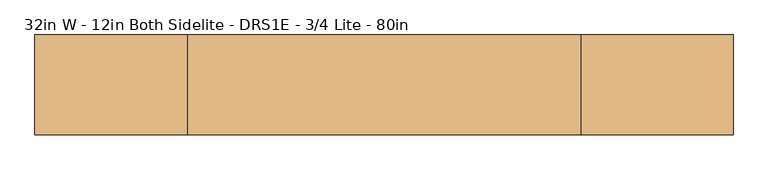
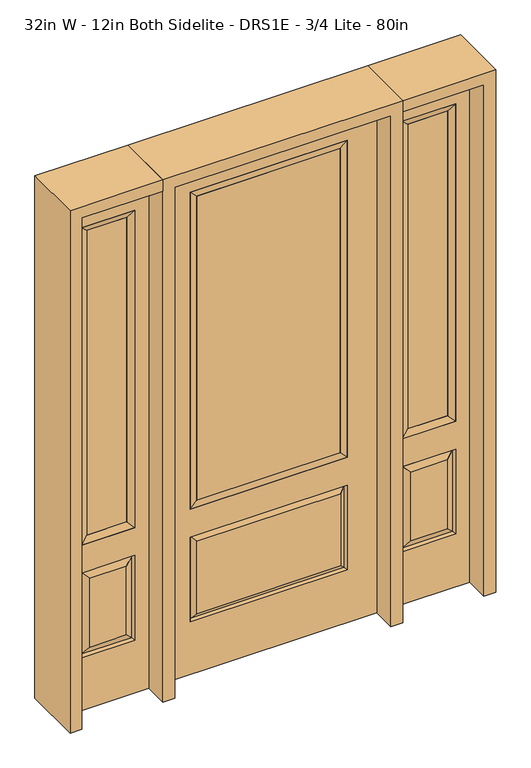
"""IFC4 building model written with IfcOpenShell, lengths in millimetres: door geometry, 32in W - 12in Both Sidelite - DRS1E - 3/4 Lite - 80in."""

from ifc_helpers import new_model, si_unit, frame, origin, place, context, project, spatial, polyline, outline, extrude, faceted_brep, source, transform, mapped, element, save


def door_32in_w_12in_both_sidelite_drs1e_3_4_lite_80in_2be512b7(model_context):
    return source(origin(), model_context, "Body", "SolidModel", [
        faceted_brep([(450.85, -22.225, 0.0), (755.65, -22.225, 0.0), (755.65, -22.225, 2032.0), (450.85, -22.225, 2032.0), (703.58, -22.225, 1919.224), (703.58, -22.225, 657.098), (502.92, -22.225, 657.098), (502.92, -22.225, 1919.224), (703.58, -22.225, 209.55), (502.92, -22.225, 209.55), (502.92, -22.225, 546.1), (703.58, -22.225, 546.1), (534.6351001, -22.225, 241.2651001), (671.8648999, -22.225, 241.2651001), (671.8648999, -22.225, 514.3848999), (534.6351001, -22.225, 514.3848999), (450.85, 22.225, 0.0), (450.85, 22.225, 2032.0), (755.65, 22.225, 2032.0), (755.65, 22.225, 0.0), (703.58, 22.225, 1919.224), (502.92, 22.225, 1919.224), (502.92, 22.225, 657.098), (703.58, 22.225, 657.098), (502.92, 22.225, 209.55), (703.58, 22.225, 209.55), (703.58, 22.225, 546.1), (502.92, 22.225, 546.1), (671.8648999, 22.225, 241.2651001), (534.6351001, 22.225, 241.2651001), (534.6351001, 22.225, 514.3848999), (671.8648999, 22.225, 514.3848999), (696.4711499, 12.7912373, 216.6588501), (510.0288501, 12.7912373, 216.6588501), (510.0288501, 12.7912373, 538.9911499), (696.4711499, 12.7912373, 538.9911499), (510.0288501, -12.7912373, 216.6588501), (696.4711499, -12.7912373, 216.6588501), (510.0288501, -12.7912373, 538.9911499), (696.4711499, -12.7912373, 538.9911499)], [[[0, 1, 2, 3], [4, 5, 6, 7], [8, 9, 10, 11]], [[12, 13, 14, 15]], [[16, 17, 18, 19], [20, 21, 22, 23], [24, 25, 26, 27]], [[28, 29, 30, 31]], [[1, 0, 16, 19]], [[2, 1, 19, 18]], [[3, 2, 18, 17]], [[0, 3, 17, 16]], [[5, 4, 20, 23]], [[6, 5, 23, 22]], [[7, 6, 22, 21]], [[4, 7, 21, 20]], [[32, 33, 29, 28]], [[33, 32, 25, 24]], [[29, 33, 34, 30]], [[33, 24, 27, 34]], [[30, 34, 35, 31]], [[34, 27, 26, 35]], [[32, 28, 31, 35]], [[25, 32, 35, 26]], [[12, 36, 37, 13]], [[37, 36, 9, 8]], [[36, 12, 15, 38]], [[9, 36, 38, 10]], [[38, 15, 14, 39]], [[10, 38, 39, 11]], [[13, 37, 39, 14]], [[37, 8, 11, 39]]]),
        faceted_brep([(502.92, 22.225, 1919.224), (502.92, -22.225, 1919.224), (703.58, -22.225, 1919.224), (703.58, 22.225, 1919.224), (528.32, 12.7, 1893.824), (678.18, 12.7, 1893.824), (528.32, -12.7, 1893.824), (678.18, -12.7, 1893.824), (703.58, -22.225, 657.098), (703.58, 22.225, 657.098), (678.18, 12.7, 682.498), (678.18, -12.7, 682.498), (502.92, -22.225, 657.098), (502.92, 22.225, 657.098), (528.32, 12.7, 682.498), (528.32, -12.7, 682.498)], [[[0, 1, 2, 3]], [[4, 0, 3, 5]], [[6, 4, 5, 7]], [[1, 6, 7, 2]], [[3, 2, 8, 9]], [[5, 3, 9, 10]], [[7, 5, 10, 11]], [[2, 7, 11, 8]], [[9, 8, 12, 13]], [[10, 9, 13, 14]], [[11, 10, 14, 15]], [[8, 11, 15, 12]], [[13, 12, 1, 0]], [[14, 13, 0, 4]], [[15, 14, 4, 6]], [[12, 15, 6, 1]]]),
        extrude(outline(polyline([(678.18, -12.7), (528.32, -12.7), (528.32, 12.7), (678.18, 12.7), (678.18, -12.7)])), frame((0.0, 0.0, 682.498), z_axis=(0.0, 0.0, 1.0), x_axis=(1.0, 0.0, 0.0)), (0.0, 0.0, 1.0), 1211.326),
        faceted_brep([(-755.65, -22.225, 0.0), (-450.85, -22.225, 0.0), (-450.85, -22.225, 2032.0), (-755.65, -22.225, 2032.0), (-502.92, -22.225, 1919.224), (-502.92, -22.225, 657.098), (-703.58, -22.225, 657.098), (-703.58, -22.225, 1919.224), (-502.92, -22.225, 209.55), (-703.58, -22.225, 209.55), (-703.58, -22.225, 546.1), (-502.92, -22.225, 546.1), (-671.8648999, -22.225, 241.2651001), (-534.6351001, -22.225, 241.2651001), (-534.6351001, -22.225, 514.3848999), (-671.8648999, -22.225, 514.3848999), (-755.65, 22.225, 0.0), (-755.65, 22.225, 2032.0), (-450.85, 22.225, 2032.0), (-450.85, 22.225, 0.0), (-502.92, 22.225, 1919.224), (-703.58, 22.225, 1919.224), (-703.58, 22.225, 657.098), (-502.92, 22.225, 657.098), (-703.58, 22.225, 209.55), (-502.92, 22.225, 209.55), (-502.92, 22.225, 546.1), (-703.58, 22.225, 546.1), (-534.6351001, 22.225, 241.2651001), (-671.8648999, 22.225, 241.2651001), (-671.8648999, 22.225, 514.3848999), (-534.6351001, 22.225, 514.3848999), (-510.0288501, 12.7912373, 216.6588501), (-696.4711499, 12.7912373, 216.6588501), (-696.4711499, 12.7912373, 538.9911499), (-510.0288501, 12.7912373, 538.9911499), (-696.4711499, -12.7912373, 216.6588501), (-510.0288501, -12.7912373, 216.6588501), (-696.4711499, -12.7912373, 538.9911499), (-510.0288501, -12.7912373, 538.9911499)], [[[0, 1, 2, 3], [4, 5, 6, 7], [8, 9, 10, 11]], [[12, 13, 14, 15]], [[16, 17, 18, 19], [20, 21, 22, 23], [24, 25, 26, 27]], [[28, 29, 30, 31]], [[1, 0, 16, 19]], [[2, 1, 19, 18]], [[3, 2, 18, 17]], [[0, 3, 17, 16]], [[5, 4, 20, 23]], [[6, 5, 23, 22]], [[7, 6, 22, 21]], [[4, 7, 21, 20]], [[32, 33, 29, 28]], [[33, 32, 25, 24]], [[29, 33, 34, 30]], [[33, 24, 27, 34]], [[30, 34, 35, 31]], [[34, 27, 26, 35]], [[32, 28, 31, 35]], [[25, 32, 35, 26]], [[12, 36, 37, 13]], [[37, 36, 9, 8]], [[36, 12, 15, 38]], [[9, 36, 38, 10]], [[38, 15, 14, 39]], [[10, 38, 39, 11]], [[13, 37, 39, 14]], [[37, 8, 11, 39]]]),
        faceted_brep([(-703.58, 22.225, 1919.224), (-703.58, -22.225, 1919.224), (-502.92, -22.225, 1919.224), (-502.92, 22.225, 1919.224), (-678.18, 12.7, 1893.824), (-528.32, 12.7, 1893.824), (-678.18, -12.7, 1893.824), (-528.32, -12.7, 1893.824), (-502.92, -22.225, 657.098), (-502.92, 22.225, 657.098), (-528.32, 12.7, 682.498), (-528.32, -12.7, 682.498), (-703.58, -22.225, 657.098), (-703.58, 22.225, 657.098), (-678.18, 12.7, 682.498), (-678.18, -12.7, 682.498)], [[[0, 1, 2, 3]], [[4, 0, 3, 5]], [[6, 4, 5, 7]], [[1, 6, 7, 2]], [[3, 2, 8, 9]], [[5, 3, 9, 10]], [[7, 5, 10, 11]], [[2, 7, 11, 8]], [[9, 8, 12, 13]], [[10, 9, 13, 14]], [[11, 10, 14, 15]], [[8, 11, 15, 12]], [[13, 12, 1, 0]], [[14, 13, 0, 4]], [[15, 14, 4, 6]], [[12, 15, 6, 1]]]),
        extrude(outline(polyline([(-528.32, -12.7), (-678.18, -12.7), (-678.18, 12.7), (-528.32, 12.7), (-528.32, -12.7)])), frame((0.0, 0.0, 682.498), z_axis=(0.0, 0.0, 1.0), x_axis=(1.0, 0.0, 0.0)), (0.0, 0.0, 1.0), 1211.326),
        faceted_brep([(-288.1661499, -12.7912373, 216.6588501), (288.1661499, -12.7912373, 216.6588501), (270.66875, -22.225, 234.15625), (-270.66875, -22.225, 234.15625), (-295.275, -22.225, 209.55), (295.275, -22.225, 209.55), (-288.1661499, -12.7912373, 538.9911499), (-295.275, -22.225, 546.1), (270.66875, -22.225, 521.49375), (-270.66875, -22.225, 521.49375), (406.4, -22.225, 2032.0), (-406.4, -22.225, 2032.0), (-406.4, -22.225, 0.0), (406.4, -22.225, 0.0), (295.275, -22.225, 546.1), (295.275, -22.225, 1917.7), (295.275, -22.225, 657.098), (-295.275, -22.225, 657.098), (-295.275, -22.225, 1917.7), (288.1661499, -12.7912373, 538.9911499), (-406.4, 22.225, 2032.0), (-406.4, 22.225, 0.0), (406.4, 22.225, 0.0), (406.4, 22.225, 2032.0), (295.275, 22.225, 1917.7), (295.275, 22.225, 657.098), (-295.275, 22.225, 657.098), (-295.275, 22.225, 1917.7), (-295.275, 22.225, 209.55), (295.275, 22.225, 209.55), (295.275, 22.225, 546.1), (-295.275, 22.225, 546.1), (270.66875, 22.225, 234.15625), (-270.66875, 22.225, 234.15625), (-270.66875, 22.225, 521.49375), (270.66875, 22.225, 521.49375), (-288.1661499, 12.7912373, 216.6588501), (288.1661499, 12.7912373, 216.6588501), (288.1661499, 12.7912373, 538.9911499), (-288.1661499, 12.7912373, 538.9911499)], [[[0, 1, 2, 3]], [[1, 0, 4, 5]], [[4, 0, 6, 7]], [[3, 2, 8, 9]], [[10, 11, 12, 13], [5, 4, 7, 14], [15, 16, 17, 18]], [[1, 5, 14, 19]], [[2, 1, 19, 8]], [[0, 3, 9, 6]], [[7, 6, 19, 14]], [[6, 9, 8, 19]], [[12, 11, 20, 21]], [[13, 12, 21, 22]], [[10, 13, 22, 23]], [[16, 15, 24, 25]], [[17, 16, 25, 26]], [[18, 17, 26, 27]], [[23, 22, 21, 20], [28, 29, 30, 31], [24, 27, 26, 25]], [[32, 33, 34, 35]], [[28, 36, 37, 29]], [[29, 37, 38, 30]], [[39, 31, 30, 38]], [[36, 28, 31, 39]], [[37, 36, 33, 32]], [[33, 36, 39, 34]], [[34, 39, 38, 35]], [[37, 32, 35, 38]], [[11, 10, 23, 20]], [[15, 18, 27, 24]]]),
        faceted_brep([(-295.275, -22.225, 1917.7), (-295.275, 22.225, 1917.7), (-295.275, 22.225, 657.098), (-295.275, -22.225, 657.098), (295.275, 22.225, 657.098), (295.275, -22.225, 657.098), (-269.875, 5.08, 682.498), (269.875, 5.08, 682.498), (295.275, 22.225, 1917.7), (295.275, -22.225, 1917.7), (-269.875, -20.32, 682.498), (269.875, -20.32, 682.498), (-269.875, -20.32, 1892.3), (269.875, -20.32, 1892.3), (-269.875, 5.08, 1892.3), (269.875, 5.08, 1892.3)], [[[0, 1, 2, 3]], [[3, 2, 4, 5]], [[2, 6, 7, 4]], [[5, 4, 8, 9]], [[10, 3, 5, 11]], [[12, 0, 3, 10]], [[11, 5, 9, 13]], [[6, 10, 11, 7]], [[14, 12, 10, 6]], [[7, 11, 13, 15]], [[1, 14, 6, 2]], [[4, 7, 15, 8]], [[9, 8, 1, 0]], [[13, 9, 0, 12]], [[15, 13, 12, 14]], [[8, 15, 14, 1]]]),
        extrude(outline(polyline([(269.875, -20.32), (-269.875, -20.32), (-269.875, 5.08), (269.875, 5.08), (269.875, -20.32)])), frame((0.0, 0.0, 682.498), z_axis=(0.0, 0.0, 1.0), x_axis=(1.0, 0.0, 0.0)), (0.0, 0.0, 1.0), 1209.802),
        extrude(outline(polyline([(2032.0, -450.85), (2076.45, -450.85), (2076.45, -800.1), (0.0, -800.1), (0.0, -755.65), (2032.0, -755.65), (2032.0, -450.85)])), frame((0.0, -114.3, 0.0), z_axis=(0.0, 1.0, 0.0), x_axis=(0.0, 0.0, 1.0)), (0.0, 0.0, 1.0), 228.6),
        extrude(outline(polyline([(2076.45, -450.85), (0.0, -450.85), (0.0, -406.4), (2032.0, -406.4), (2032.0, 406.4), (0.0, 406.4), (0.0, 450.85), (2076.45, 450.85), (2076.45, -450.85)])), frame((0.0, -114.3, 0.0), z_axis=(0.0, 1.0, 0.0), x_axis=(0.0, 0.0, 1.0)), (0.0, 0.0, 1.0), 228.6),
        extrude(outline(polyline([(0.0, 755.65), (0.0, 800.1), (2076.45, 800.1), (2076.45, 450.85), (2032.0, 450.85), (2032.0, 755.65), (0.0, 755.65)])), frame((0.0, -114.3, 0.0), z_axis=(0.0, 1.0, 0.0), x_axis=(0.0, 0.0, 1.0)), (0.0, 0.0, 1.0), 228.6),
    ])


if __name__ == "__main__":
    model = new_model("IFC4")
    model_context = context("Model", 3, world=origin())
    ifc_project = project(units=[si_unit("LENGTHUNIT", "METRE", prefix="MILLI")], contexts=[model_context])
    site = spatial("IfcSite", under=ifc_project)
    building = spatial("IfcBuilding", under=site)
    placement = place(None, origin())
    door_32in_w_12in_both_sidelite_drs1e_3_4_lite_80in_shape = door_32in_w_12in_both_sidelite_drs1e_3_4_lite_80in_2be512b7(model_context)
    element("IfcDoor", 1, ObjectType="32in W - 12in Both Sidelite - DRS1E - 3/4 Lite - 80in", at=placement, inside=building, context=model_context, shape_type="MappedRepresentation", body=[
        mapped(door_32in_w_12in_both_sidelite_drs1e_3_4_lite_80in_shape, transform((0.0, 0.0, 0.0), x_axis=(1.0, 0.0, 0.0), y_axis=(0.0, 1.0, 0.0), z_axis=(0.0, 0.0, 1.0))),
    ])
    save(model, "model.ifc")
